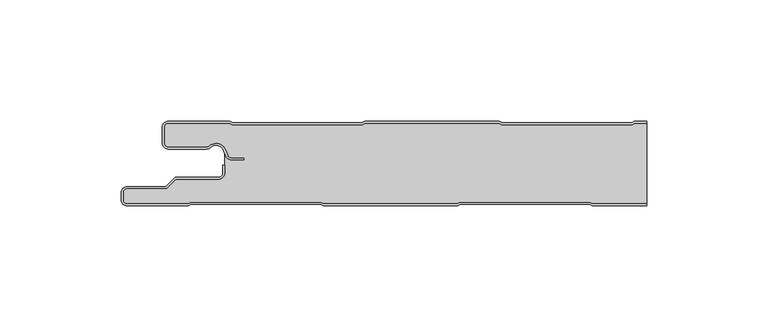
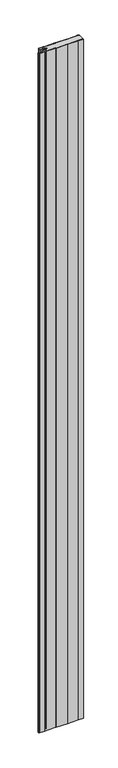
"""IFC4 building model written with IfcOpenShell, lengths in millimetres: plate geometry."""

import ifcopenshell
import ifcopenshell.guid

model = None  # the IFC model being written
_history = None  # IfcOwnerHistory: only IFC2X3 demands one
_inside = {}  # id of a spatial element -> (the spatial element, [elements in it])
_under = {}  # id of a project, library or spatial element -> (it, [spatial elements below it])
_declared = {}  # id of a project -> (the project, [libraries it declares])
_typed = {}  # id of a type object -> (the type object, [elements of that type])
_made_of = {}  # id of a material, layer set ... -> (it, [elements and type objects made of it])


def new_model(schema):
    """Start an empty IFC model of exactly this schema.

    Asked for "IFC4X3", IfcOpenShell would pick the latest addendum, in which some entities
    have other attributes; the version numbers below select the first issue.
    IFC2X3 requires an IfcOwnerHistory on every rooted entity: one is made here for all.
    """
    global model, _history
    if schema == "IFC4X3":
        model = ifcopenshell.file(schema_version=(4, 3, 0, 0))
    else:
        model = ifcopenshell.file(schema=schema)
    _inside.clear()
    _under.clear()
    _declared.clear()
    _typed.clear()
    _made_of.clear()
    _history = None
    if model.schema == "IFC2X3":
        org = make("IfcOrganization", Name="unknown")
        user = make(
            "IfcPersonAndOrganization",
            ThePerson=make("IfcPerson", FamilyName="unknown"),
            TheOrganization=org,
        )
        app = make(
            "IfcApplication",
            ApplicationDeveloper=org,
            Version="unknown",
            ApplicationFullName="unknown",
            ApplicationIdentifier="unknown",
        )
        _history = make(
            "IfcOwnerHistory",
            OwningUser=user,
            OwningApplication=app,
            ChangeAction="ADDED",
            CreationDate=0,
        )
    return model


def make(cls, **values):
    """One entity of the class cls with the attributes given. An attribute that is None is left unset."""
    return model.create_entity(
        cls, **{name: value for name, value in values.items() if value is not None}
    )


def rooted(cls, **values):
    """An entity with a GlobalId (a new one), such as an element, a storey or a relation."""
    return make(cls, GlobalId=ifcopenshell.guid.new(), OwnerHistory=_history, **values)


def si_unit(unit_type, name, prefix=None):
    """IfcSIUnit, for example si_unit("LENGTHUNIT", "METRE", prefix="MILLI")."""
    return make("IfcSIUnit", UnitType=unit_type, Prefix=prefix, Name=name)


def assignment(units):
    """IfcUnitAssignment: the units of a project."""
    return None if units is None else make("IfcUnitAssignment", Units=units)


def point(xyz):
    """IfcCartesianPoint."""
    return None if xyz is None else make("IfcCartesianPoint", Coordinates=xyz)


def direction(xyz):
    """IfcDirection."""
    return None if xyz is None else make("IfcDirection", DirectionRatios=xyz)


def frame(location, z_axis=None, x_axis=None):
    """IfcAxis2Placement3D, a coordinate frame: its origin and axes. An axis left out is left unset."""
    return make(
        "IfcAxis2Placement3D",
        Location=point(location),
        Axis=direction(z_axis),
        RefDirection=direction(x_axis),
    )


def frame_2d(location, x_axis=None):
    """IfcAxis2Placement2D, a coordinate frame in the plane: its origin and x axis."""
    return make(
        "IfcAxis2Placement2D", Location=point(location), RefDirection=direction(x_axis)
    )


def origin():
    """The frame at (0, 0, 0) with its axes left unset."""
    return frame((0.0, 0.0, 0.0))


def origin_with_axes():
    """The frame at (0, 0, 0) with the z axis (0, 0, 1) and the x axis (1, 0, 0) written out."""
    return frame((0.0, 0.0, 0.0), z_axis=(0.0, 0.0, 1.0), x_axis=(1.0, 0.0, 0.0))


def place(relative_to, where):
    """IfcLocalPlacement: puts the frame where relative to a parent placement (None: the world)."""
    return make(
        "IfcLocalPlacement", PlacementRelTo=relative_to, RelativePlacement=where
    )


def context(
    kind, dimensions, precision=None, world=None, true_north=None, identifier=None
):
    """IfcGeometricRepresentationContext, for example the 3D "Model" context."""
    return make(
        "IfcGeometricRepresentationContext",
        ContextIdentifier=identifier,
        ContextType=kind,
        CoordinateSpaceDimension=dimensions,
        Precision=precision,
        WorldCoordinateSystem=world,
        TrueNorth=true_north,
    )


def project(units=None, contexts=None):
    """IfcProject with its units and contexts."""
    return rooted(
        "IfcProject",
        Name="project",
        RepresentationContexts=contexts,
        UnitsInContext=assignment(units),
    )


def spatial(cls, under=None, at=None, **own):
    """A site, building, storey or space (cls), placed at a placement, below another one or the project."""
    s = rooted(cls, ObjectPlacement=at, **own)
    if under is not None:
        _under.setdefault(under.id(), (under, []))[1].append(s)
    return s


def polyline(points):
    """IfcPolyline through the points."""
    return make("IfcPolyline", Points=[point(p) for p in points])


def circle_curve(where, radius):
    """IfcCircle in the frame where."""
    return make("IfcCircle", Position=where, Radius=radius)


def trimmed(basis, trim1, trim2, sense, master):
    """IfcTrimmedCurve: the piece of a basis curve between two trims."""
    return make(
        "IfcTrimmedCurve",
        BasisCurve=basis,
        Trim1=trim1,
        Trim2=trim2,
        SenseAgreement=sense,
        MasterRepresentation=master,
    )


def segment(curve, same_sense, transition):
    """IfcCompositeCurveSegment."""
    return make(
        "IfcCompositeCurveSegment",
        Transition=transition,
        SameSense=same_sense,
        ParentCurve=curve,
    )


def composite_curve(segments, self_intersect=None):
    """IfcCompositeCurve: segments joined end to end."""
    return make("IfcCompositeCurve", Segments=segments, SelfIntersect=self_intersect)


def outline(outer, holes=None, kind="AREA"):
    """IfcArbitraryClosedProfileDef: a profile drawn as a closed curve; with holes, ...WithVoids."""
    if holes is None:
        return make("IfcArbitraryClosedProfileDef", ProfileType=kind, OuterCurve=outer)
    return make(
        "IfcArbitraryProfileDefWithVoids",
        ProfileType=kind,
        OuterCurve=outer,
        InnerCurves=holes,
    )


def extrude(swept, where, along, depth):
    """IfcExtrudedAreaSolid: the profile swept, set in the frame where, extruded along a direction by depth."""
    return make(
        "IfcExtrudedAreaSolid",
        SweptArea=swept,
        Position=where,
        ExtrudedDirection=direction(along),
        Depth=depth,
    )


def shape(context_of_items, identifier, shape_type, items):
    """IfcShapeRepresentation: the items that make up one representation, for example the "Body"."""
    return make(
        "IfcShapeRepresentation",
        ContextOfItems=context_of_items,
        RepresentationIdentifier=identifier,
        RepresentationType=shape_type,
        Items=items,
    )


def source(mapping_origin, context_of_items, identifier, shape_type, items):
    """IfcRepresentationMap: a shape defined once, which mapped items show again and again."""
    return make(
        "IfcRepresentationMap",
        MappingOrigin=mapping_origin,
        MappedRepresentation=shape(context_of_items, identifier, shape_type, items),
    )


def transform(
    local_origin,
    x_axis=None,
    y_axis=None,
    z_axis=None,
    scale=None,
    scale2=None,
    scale3=None,
    uniform=True,
):
    """IfcCartesianTransformationOperator3D, or its non-uniform kind. x_axis, y_axis, z_axis: its Axis1, 2, 3."""
    if uniform:
        return make(
            "IfcCartesianTransformationOperator3D",
            Axis1=direction(x_axis),
            Axis2=direction(y_axis),
            LocalOrigin=point(local_origin),
            Scale=scale,
            Axis3=direction(z_axis),
        )
    return make(
        "IfcCartesianTransformationOperator3DnonUniform",
        Axis1=direction(x_axis),
        Axis2=direction(y_axis),
        LocalOrigin=point(local_origin),
        Scale=scale,
        Axis3=direction(z_axis),
        Scale2=scale2,
        Scale3=scale3,
    )


def mapped(mapping_source, mapping_target):
    """IfcMappedItem: shows the shape of a source again, moved by a transform."""
    return make(
        "IfcMappedItem", MappingSource=mapping_source, MappingTarget=mapping_target
    )


def made_of(thing, what):
    """Note that an element or type object is made of a material, layer set ...; save() writes the relation."""
    if what is not None:
        _made_of.setdefault(what.id(), (what, []))[1].append(thing)
    return thing


def element(
    cls,
    number,
    at=None,
    inside=None,
    cuts=None,
    type_object=None,
    material=None,
    context=None,
    identifier="Body",
    shape_type=None,
    held_by="IfcProductDefinitionShape",
    body=None,
    shapes=None,
    **own,
):
    """One element of the class cls, such as IfcWall. Its Tag is "e" and its number.

    at: its placement. inside: the storey or other place that contains it. cuts: it is an
    opening in that element (IfcRelVoidsElement). A single representation is given by context,
    identifier, shape_type and body (its items); several are given by shapes. held_by: the class
    of the entity that holds the representations. save() writes the other relations.
    """
    e = rooted(cls, Tag="e%d" % number, ObjectPlacement=at, **own)
    if body is not None:
        shapes = [shape(context, identifier, shape_type, body)]
    if shapes is not None:
        e.Representation = make(held_by, Representations=shapes)
    if inside is not None:
        _inside.setdefault(inside.id(), (inside, []))[1].append(e)
    if cuts is not None:
        rooted(
            "IfcRelVoidsElement", RelatingBuildingElement=cuts, RelatedOpeningElement=e
        )
    if type_object is not None:
        _typed.setdefault(type_object.id(), (type_object, []))[1].append(e)
    return made_of(e, material)


def aggregate(whole, parts):
    """IfcRelAggregates: a whole, such as a stair, and the parts it consists of."""
    return rooted("IfcRelAggregates", RelatingObject=whole, RelatedObjects=parts)


def save(model, path):
    """Write the relations noted so far, then the file.

    IfcRelAggregates (storeys below a building ...), IfcRelContainedInSpatialStructure (elements
    in a storey), IfcRelDefinesByType, IfcRelAssociatesMaterial and IfcRelDeclares: one each for
    every whole, place, type object, material and project.
    """
    for whole, parts in _under.values():
        aggregate(whole, parts)
    for where, things in _inside.values():
        rooted(
            "IfcRelContainedInSpatialStructure",
            RelatedElements=things,
            RelatingStructure=where,
        )
    for kind, things in _typed.values():
        rooted("IfcRelDefinesByType", RelatedObjects=things, RelatingType=kind)
    for what, things in _made_of.values():
        rooted("IfcRelAssociatesMaterial", RelatedObjects=things, RelatingMaterial=what)
    for by, libraries in _declared.values():
        rooted("IfcRelDeclares", RelatingContext=by, RelatedDefinitions=libraries)
    model.write(path)


def plate_2074b863(model_context):
    return source(origin(), model_context, "Body", "SweptSolid", [
        extrude(outline(composite_curve([segment(polyline([(-117.0, -32.5), (-117.0, -29.5)]), True, "CONTINUOUS"), segment(trimmed(circle_curve(frame_2d((-114.5, -29.5)), 2.5), [point((-117.0, -29.5))], [point((-114.5, -27.0))], False, "CARTESIAN"), True, "CONTINUOUS"), segment(polyline([(-114.5, -27.0), (-98.5, -27.0), (-94.75, -23.25), (-77.0, -23.25)]), True, "CONTINUOUS"), segment(trimmed(circle_curve(frame_2d((-77.0, -21.25)), 2.0), [point((-77.0, -23.25))], [point((-75.0, -21.25))], True, "CARTESIAN"), True, "CONTINUOUS"), segment(polyline([(-75.0, -21.25), (-75.0, -18.25), (-74.2, -18.25), (-74.2, -21.25)]), True, "CONTINUOUS"), segment(trimmed(circle_curve(frame_2d((-77.0, -21.25)), 2.8), [point((-74.2, -21.25))], [point((-77.0, -24.05))], False, "CARTESIAN"), True, "CONTINUOUS"), segment(polyline([(-77.0, -24.05), (-94.4186292, -24.05), (-98.1686292, -27.8), (-114.5, -27.8)]), True, "CONTINUOUS"), segment(trimmed(circle_curve(frame_2d((-114.5, -29.5)), 1.7), [point((-114.5, -27.8))], [point((-116.2, -29.5))], True, "CARTESIAN"), True, "CONTINUOUS"), segment(polyline([(-116.2, -29.5), (-116.2, -32.5)]), True, "CONTINUOUS"), segment(trimmed(circle_curve(frame_2d((-114.5, -32.5)), 1.7), [point((-116.2, -32.5))], [point((-114.5, -34.2))], True, "CARTESIAN"), True, "CONTINUOUS"), segment(polyline([(-114.5, -34.2), (-89.4444842, -34.2), (-88.4469842, -33.6), (-34.4430158, -33.6), (-33.4455158, -34.2), (21.6655158, -34.2), (22.6630158, -33.6), (76.6669842, -33.6), (77.6644842, -34.2), (100.0, -34.2), (100.0, -35.0), (77.4424211, -35.0), (76.4449211, -34.4), (22.8850789, -34.4), (21.8875789, -35.0), (-33.6675789, -35.0), (-34.6650789, -34.4), (-88.2249211, -34.4), (-89.2224211, -35.0), (-114.5, -35.0)]), True, "CONTINUOUS"), segment(trimmed(circle_curve(frame_2d((-114.5, -32.5)), 2.5), [point((-114.5, -35.0))], [point((-117.0, -32.5))], False, "CARTESIAN"), True, "CONTINUOUS")], self_intersect=False)), origin_with_axes(), (0.0, 0.0, 1.0), 3500.0),
        extrude(outline(composite_curve([segment(trimmed(circle_curve(frame_2d((-97.49499, -9.0180361)), 2.50501), [point((-97.49499, -11.5230461))], [point((-100.0, -9.0180361))], False, "CARTESIAN"), True, "CONTINUOUS"), segment(polyline([(-100.0, -9.0180361), (-100.0, -2.50501)]), True, "CONTINUOUS"), segment(trimmed(circle_curve(frame_2d((-97.49499, -2.50501)), 2.50501), [point((-100.0, -2.50501))], [point((-97.49499, 0.0))], False, "CARTESIAN"), True, "CONTINUOUS"), segment(polyline([(-97.49499, 0.0), (-72.2103007, 0.0), (-71.028188, -0.6012024), (-17.6391467, -0.6012024), (-16.457034, 0.0), (39.1223647, 0.0), (40.3044773, -0.6012024), (93.6935186, -0.6012024), (94.8756313, 0.0), (100.0, 0.0), (100.0, -0.8), (95.0673777, -0.8), (93.885265, -1.4012024), (40.112731, -1.4012024), (38.9306183, -0.8), (-16.2652876, -0.8), (-17.4474003, -1.4012024), (-71.2199344, -1.4012024), (-72.4020471, -0.8), (-97.49499, -0.8)]), True, "CONTINUOUS"), segment(trimmed(circle_curve(frame_2d((-97.49499, -2.50501)), 1.70501), [point((-97.49499, -0.8))], [point((-99.2, -2.50501))], True, "CARTESIAN"), True, "CONTINUOUS"), segment(polyline([(-99.2, -2.50501), (-99.2, -9.0180361)]), True, "CONTINUOUS"), segment(trimmed(circle_curve(frame_2d((-97.49499, -9.0180361)), 1.70501), [point((-99.2, -9.0180361))], [point((-97.49499, -10.7230461))], True, "CARTESIAN"), True, "CONTINUOUS"), segment(polyline([(-97.49499, -10.7230461), (-81.8173283, -10.7230461)]), True, "CONTINUOUS"), segment(trimmed(circle_curve(frame_2d((-81.8173283, -9.0180361)), 1.70501), [point((-81.8173283, -10.7230461))], [point((-80.6895701, -10.2967936))], True, "CARTESIAN"), True, "CONTINUOUS"), segment(trimmed(circle_curve(frame_2d((-77.8407481, -13.5270541)), 4.307014), [point((-80.6895701, -10.2967936))], [point((-73.7934788, -12.0539686))], False, "CARTESIAN"), True, "CONTINUOUS"), segment(polyline([(-73.7934788, -12.0539686), (-73.0450711, -14.1102019)]), True, "CONTINUOUS"), segment(trimmed(circle_curve(frame_2d((-71.4428858, -13.5270541)), 1.70501), [point((-73.0450711, -14.1102019))], [point((-71.4428858, -15.2320641))], True, "CARTESIAN"), True, "CONTINUOUS"), segment(polyline([(-71.4428858, -15.2320641), (-66.4328657, -15.2320641), (-66.4328657, -16.0320641), (-71.4428858, -16.0320641)]), True, "CONTINUOUS"), segment(trimmed(circle_curve(frame_2d((-71.4428858, -13.5270541)), 2.50501), [point((-71.4428858, -16.0320641))], [point((-73.7968252, -14.383818))], False, "CARTESIAN"), True, "CONTINUOUS"), segment(polyline([(-73.7968252, -14.383818), (-74.5452329, -12.3275847)]), True, "CONTINUOUS"), segment(trimmed(circle_curve(frame_2d((-77.8407481, -13.5270541)), 3.507014), [point((-74.5452329, -12.3275847))], [point((-80.1604199, -10.8967936))], True, "CARTESIAN"), True, "CONTINUOUS"), segment(trimmed(circle_curve(frame_2d((-81.8173283, -9.0180361)), 2.50501), [point((-80.1604199, -10.8967936))], [point((-81.8173283, -11.5230461))], False, "CARTESIAN"), True, "CONTINUOUS"), segment(polyline([(-81.8173283, -11.5230461), (-97.49499, -11.5230461)]), True, "CONTINUOUS")], self_intersect=False)), origin_with_axes(), (0.0, 0.0, 1.0), 3500.0),
        extrude(outline(composite_curve([segment(polyline([(77.6644842, -34.2), (76.6669842, -33.6), (22.6630158, -33.6), (21.6655158, -34.2), (-33.4455158, -34.2), (-34.4430158, -33.6), (-88.4469842, -33.6), (-89.4444842, -34.2), (-114.5, -34.2)]), True, "CONTINUOUS"), segment(trimmed(circle_curve(frame_2d((-114.5, -32.5)), 1.7), [point((-114.5, -34.2))], [point((-116.2, -32.5))], False, "CARTESIAN"), True, "CONTINUOUS"), segment(polyline([(-116.2, -32.5), (-116.2, -29.5)]), True, "CONTINUOUS"), segment(trimmed(circle_curve(frame_2d((-114.5, -29.5)), 1.7), [point((-116.2, -29.5))], [point((-114.5, -27.8))], False, "CARTESIAN"), True, "CONTINUOUS"), segment(polyline([(-114.5, -27.8), (-98.1686292, -27.8), (-94.4186292, -24.05), (-77.0, -24.05)]), True, "CONTINUOUS"), segment(trimmed(circle_curve(frame_2d((-77.0, -21.25)), 2.8), [point((-77.0, -24.05))], [point((-74.2, -21.25))], True, "CARTESIAN"), True, "CONTINUOUS"), segment(polyline([(-74.2, -21.25), (-74.2, -11.2258973)]), True, "CONTINUOUS"), segment(trimmed(circle_curve(frame_2d((-77.8407481, -13.5270541)), 4.307014), [point((-74.2, -11.2258973))], [point((-80.6895701, -10.2967936))], True, "CARTESIAN"), True, "CONTINUOUS"), segment(trimmed(circle_curve(frame_2d((-81.8173283, -9.0180361)), 1.70501), [point((-80.6895701, -10.2967936))], [point((-81.8173283, -10.7230461))], False, "CARTESIAN"), True, "CONTINUOUS"), segment(polyline([(-81.8173283, -10.7230461), (-97.49499, -10.7230461)]), True, "CONTINUOUS"), segment(trimmed(circle_curve(frame_2d((-97.49499, -9.0180361)), 1.70501), [point((-97.49499, -10.7230461))], [point((-99.2, -9.0180361))], False, "CARTESIAN"), True, "CONTINUOUS"), segment(polyline([(-99.2, -9.0180361), (-99.2, -2.50501)]), True, "CONTINUOUS"), segment(trimmed(circle_curve(frame_2d((-97.49499, -2.50501)), 1.70501), [point((-99.2, -2.50501))], [point((-97.49499, -0.8))], False, "CARTESIAN"), True, "CONTINUOUS"), segment(polyline([(-97.49499, -0.8), (-72.4020471, -0.8), (-71.2199344, -1.4012024), (-17.4474003, -1.4012024), (-16.2652876, -0.8), (38.9306183, -0.8), (40.112731, -1.4012024), (93.885265, -1.4012024), (95.0673777, -0.8), (100.0, -0.8), (100.0, -34.2), (77.6644842, -34.2)]), True, "CONTINUOUS")], self_intersect=False)), origin_with_axes(), (0.0, 0.0, 1.0), 3500.0),
    ])


if __name__ == "__main__":
    model = new_model("IFC4")
    model_context = context("Model", 3, world=origin())
    ifc_project = project(units=[si_unit("LENGTHUNIT", "METRE", prefix="MILLI")], contexts=[model_context])
    site = spatial("IfcSite", under=ifc_project)
    building = spatial("IfcBuilding", under=site)
    placement = place(None, origin())
    plate_shape = plate_2074b863(model_context)
    element("IfcPlate", 1, at=placement, inside=building, context=model_context, shape_type="MappedRepresentation", body=[
        mapped(plate_shape, transform((0.0, 0.0, 0.0), x_axis=(1.0, 0.0, 0.0), y_axis=(0.0, 1.0, 0.0), z_axis=(0.0, 0.0, 1.0))),
    ])
    save(model, "model.ifc")
